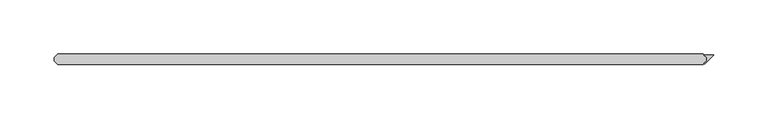
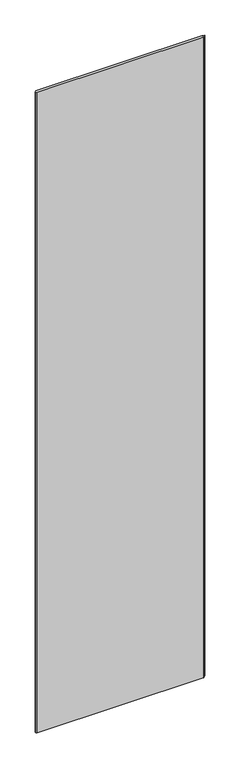
"""IFC4 building model written with IfcOpenShell, lengths in millimetres: plate geometry."""

from ifc_helpers import new_model, si_unit, origin, origin_with_axes, place, context, project, spatial, polyline, outline, extrude, source, transform, mapped, element, save


def plate_409a0e3a(model_context):
    return source(origin(), model_context, "Body", "SweptSolid", [
        extrude(outline(polyline([(284.230593, -28.575), (281.849343, -26.19375), (290.909375, -26.19375), (282.410609, -34.692516), (281.849343, -34.13125), (284.230593, -31.75), (284.230593, -28.575)])), origin_with_axes(), (0.0, 0.0, 1.0), 2428.7789267),
        extrude(outline(polyline([(281.055593, -25.4), (284.230593, -28.575), (284.230593, -31.75), (281.055593, -34.925), (-313.928125, -34.925), (-317.103125, -31.75), (-317.103125, -28.575), (-313.928125, -25.4), (281.055593, -25.4)])), origin_with_axes(), (0.0, 0.0, 1.0), 2428.7789267),
    ])


if __name__ == "__main__":
    model = new_model("IFC4")
    model_context = context("Model", 3, world=origin())
    ifc_project = project(units=[si_unit("LENGTHUNIT", "METRE", prefix="MILLI")], contexts=[model_context])
    site = spatial("IfcSite", under=ifc_project)
    building = spatial("IfcBuilding", under=site)
    placement = place(None, origin())
    plate_shape = plate_409a0e3a(model_context)
    element("IfcPlate", 1, at=placement, inside=building, context=model_context, shape_type="MappedRepresentation", body=[
        mapped(plate_shape, transform((0.0, 0.0, 0.0), x_axis=(1.0, 0.0, 0.0), y_axis=(0.0, 1.0, 0.0), z_axis=(0.0, 0.0, 1.0))),
    ])
    save(model, "model.ifc")
